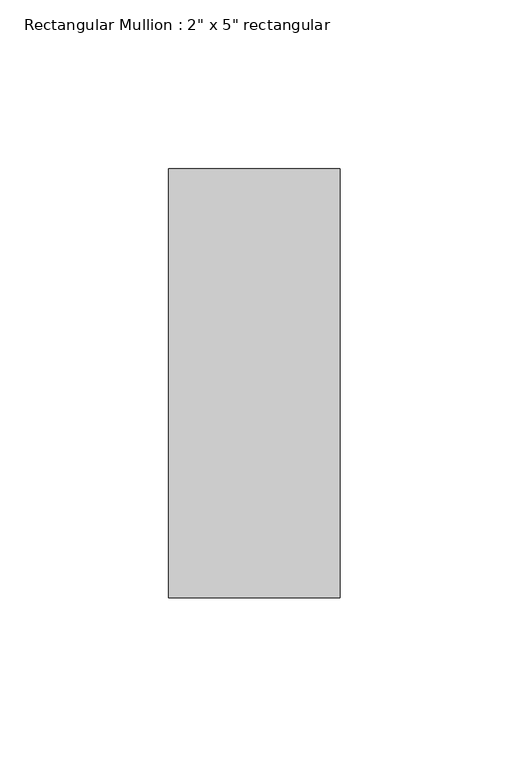
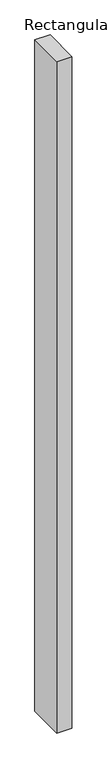
"""IFC4 building model written with IfcOpenShell, lengths in millimetres: member geometry."""

from ifc_helpers import new_model, si_unit, frame, origin, place, context, project, spatial, polyline, outline, extrude, source, transform, mapped, element, save


def member_dc0e966c(model_context):
    return source(origin(), model_context, "Body", "SweptSolid", [
        extrude(outline(polyline([(0.0, 63.5), (0.0, -63.5), (-50.8, -63.5), (-50.8, 63.5), (0.0, 63.5)])), frame((0.0, 0.0, -2387.6), z_axis=(0.0, 0.0, 1.0), x_axis=(1.0, 0.0, 0.0)), (0.0, 0.0, 1.0), 2387.6),
    ])


if __name__ == "__main__":
    model = new_model("IFC4")
    model_context = context("Model", 3, world=origin())
    ifc_project = project(units=[si_unit("LENGTHUNIT", "METRE", prefix="MILLI")], contexts=[model_context])
    site = spatial("IfcSite", under=ifc_project)
    building = spatial("IfcBuilding", under=site)
    placement = place(None, origin())
    member_shape = member_dc0e966c(model_context)
    element("IfcMember", 1, ObjectType="Rectangular Mullion : 2\" x 5\" rectangular", at=placement, inside=building, context=model_context, shape_type="MappedRepresentation", body=[
        mapped(member_shape, transform((0.0, 0.0, 0.0), x_axis=(1.0, 0.0, 0.0), y_axis=(0.0, 1.0, 0.0), z_axis=(0.0, 0.0, 1.0))),
    ])
    save(model, "model.ifc")
